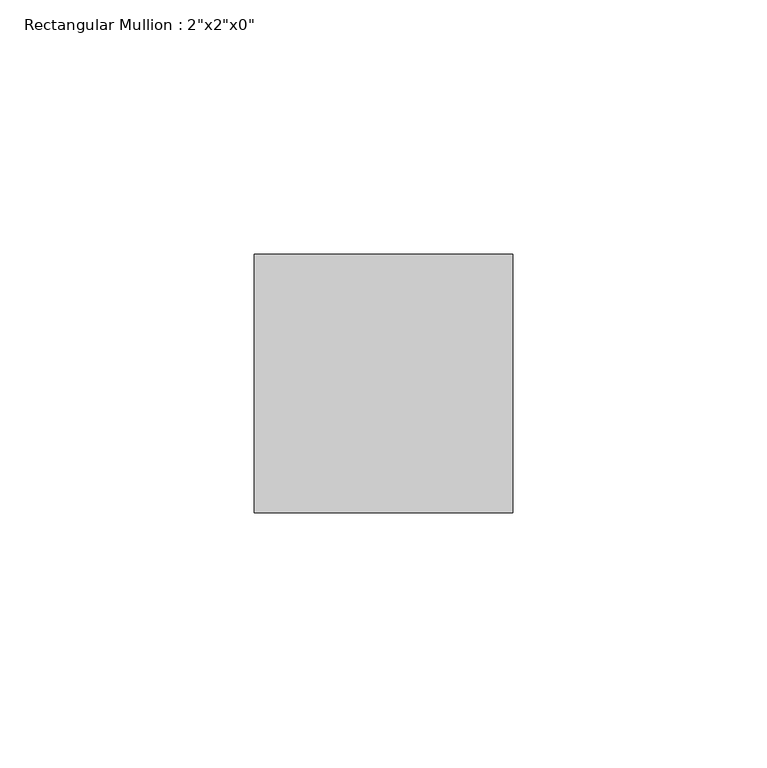
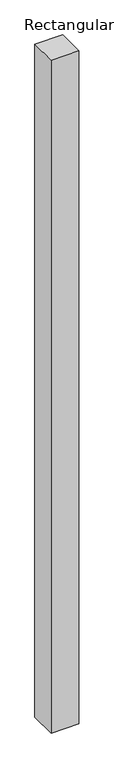
"""IFC4 building model written with IfcOpenShell, lengths in millimetres: member geometry."""

import ifcopenshell
import ifcopenshell.guid

model = None  # the IFC model being written
_history = None  # IfcOwnerHistory: only IFC2X3 demands one
_inside = {}  # id of a spatial element -> (the spatial element, [elements in it])
_under = {}  # id of a project, library or spatial element -> (it, [spatial elements below it])
_declared = {}  # id of a project -> (the project, [libraries it declares])
_typed = {}  # id of a type object -> (the type object, [elements of that type])
_made_of = {}  # id of a material, layer set ... -> (it, [elements and type objects made of it])


def new_model(schema):
    """Start an empty IFC model of exactly this schema.

    Asked for "IFC4X3", IfcOpenShell would pick the latest addendum, in which some entities
    have other attributes; the version numbers below select the first issue.
    IFC2X3 requires an IfcOwnerHistory on every rooted entity: one is made here for all.
    """
    global model, _history
    if schema == "IFC4X3":
        model = ifcopenshell.file(schema_version=(4, 3, 0, 0))
    else:
        model = ifcopenshell.file(schema=schema)
    _inside.clear()
    _under.clear()
    _declared.clear()
    _typed.clear()
    _made_of.clear()
    _history = None
    if model.schema == "IFC2X3":
        org = make("IfcOrganization", Name="unknown")
        user = make(
            "IfcPersonAndOrganization",
            ThePerson=make("IfcPerson", FamilyName="unknown"),
            TheOrganization=org,
        )
        app = make(
            "IfcApplication",
            ApplicationDeveloper=org,
            Version="unknown",
            ApplicationFullName="unknown",
            ApplicationIdentifier="unknown",
        )
        _history = make(
            "IfcOwnerHistory",
            OwningUser=user,
            OwningApplication=app,
            ChangeAction="ADDED",
            CreationDate=0,
        )
    return model


def make(cls, **values):
    """One entity of the class cls with the attributes given. An attribute that is None is left unset."""
    return model.create_entity(
        cls, **{name: value for name, value in values.items() if value is not None}
    )


def rooted(cls, **values):
    """An entity with a GlobalId (a new one), such as an element, a storey or a relation."""
    return make(cls, GlobalId=ifcopenshell.guid.new(), OwnerHistory=_history, **values)


def si_unit(unit_type, name, prefix=None):
    """IfcSIUnit, for example si_unit("LENGTHUNIT", "METRE", prefix="MILLI")."""
    return make("IfcSIUnit", UnitType=unit_type, Prefix=prefix, Name=name)


def assignment(units):
    """IfcUnitAssignment: the units of a project."""
    return None if units is None else make("IfcUnitAssignment", Units=units)


def point(xyz):
    """IfcCartesianPoint."""
    return None if xyz is None else make("IfcCartesianPoint", Coordinates=xyz)


def direction(xyz):
    """IfcDirection."""
    return None if xyz is None else make("IfcDirection", DirectionRatios=xyz)


def frame(location, z_axis=None, x_axis=None):
    """IfcAxis2Placement3D, a coordinate frame: its origin and axes. An axis left out is left unset."""
    return make(
        "IfcAxis2Placement3D",
        Location=point(location),
        Axis=direction(z_axis),
        RefDirection=direction(x_axis),
    )


def origin():
    """The frame at (0, 0, 0) with its axes left unset."""
    return frame((0.0, 0.0, 0.0))


def place(relative_to, where):
    """IfcLocalPlacement: puts the frame where relative to a parent placement (None: the world)."""
    return make(
        "IfcLocalPlacement", PlacementRelTo=relative_to, RelativePlacement=where
    )


def context(
    kind, dimensions, precision=None, world=None, true_north=None, identifier=None
):
    """IfcGeometricRepresentationContext, for example the 3D "Model" context."""
    return make(
        "IfcGeometricRepresentationContext",
        ContextIdentifier=identifier,
        ContextType=kind,
        CoordinateSpaceDimension=dimensions,
        Precision=precision,
        WorldCoordinateSystem=world,
        TrueNorth=true_north,
    )


def project(units=None, contexts=None):
    """IfcProject with its units and contexts."""
    return rooted(
        "IfcProject",
        Name="project",
        RepresentationContexts=contexts,
        UnitsInContext=assignment(units),
    )


def spatial(cls, under=None, at=None, **own):
    """A site, building, storey or space (cls), placed at a placement, below another one or the project."""
    s = rooted(cls, ObjectPlacement=at, **own)
    if under is not None:
        _under.setdefault(under.id(), (under, []))[1].append(s)
    return s


def polyline(points):
    """IfcPolyline through the points."""
    return make("IfcPolyline", Points=[point(p) for p in points])


def outline(outer, holes=None, kind="AREA"):
    """IfcArbitraryClosedProfileDef: a profile drawn as a closed curve; with holes, ...WithVoids."""
    if holes is None:
        return make("IfcArbitraryClosedProfileDef", ProfileType=kind, OuterCurve=outer)
    return make(
        "IfcArbitraryProfileDefWithVoids",
        ProfileType=kind,
        OuterCurve=outer,
        InnerCurves=holes,
    )


def extrude(swept, where, along, depth):
    """IfcExtrudedAreaSolid: the profile swept, set in the frame where, extruded along a direction by depth."""
    return make(
        "IfcExtrudedAreaSolid",
        SweptArea=swept,
        Position=where,
        ExtrudedDirection=direction(along),
        Depth=depth,
    )


def shape(context_of_items, identifier, shape_type, items):
    """IfcShapeRepresentation: the items that make up one representation, for example the "Body"."""
    return make(
        "IfcShapeRepresentation",
        ContextOfItems=context_of_items,
        RepresentationIdentifier=identifier,
        RepresentationType=shape_type,
        Items=items,
    )


def source(mapping_origin, context_of_items, identifier, shape_type, items):
    """IfcRepresentationMap: a shape defined once, which mapped items show again and again."""
    return make(
        "IfcRepresentationMap",
        MappingOrigin=mapping_origin,
        MappedRepresentation=shape(context_of_items, identifier, shape_type, items),
    )


def transform(
    local_origin,
    x_axis=None,
    y_axis=None,
    z_axis=None,
    scale=None,
    scale2=None,
    scale3=None,
    uniform=True,
):
    """IfcCartesianTransformationOperator3D, or its non-uniform kind. x_axis, y_axis, z_axis: its Axis1, 2, 3."""
    if uniform:
        return make(
            "IfcCartesianTransformationOperator3D",
            Axis1=direction(x_axis),
            Axis2=direction(y_axis),
            LocalOrigin=point(local_origin),
            Scale=scale,
            Axis3=direction(z_axis),
        )
    return make(
        "IfcCartesianTransformationOperator3DnonUniform",
        Axis1=direction(x_axis),
        Axis2=direction(y_axis),
        LocalOrigin=point(local_origin),
        Scale=scale,
        Axis3=direction(z_axis),
        Scale2=scale2,
        Scale3=scale3,
    )


def mapped(mapping_source, mapping_target):
    """IfcMappedItem: shows the shape of a source again, moved by a transform."""
    return make(
        "IfcMappedItem", MappingSource=mapping_source, MappingTarget=mapping_target
    )


def made_of(thing, what):
    """Note that an element or type object is made of a material, layer set ...; save() writes the relation."""
    if what is not None:
        _made_of.setdefault(what.id(), (what, []))[1].append(thing)
    return thing


def element(
    cls,
    number,
    at=None,
    inside=None,
    cuts=None,
    type_object=None,
    material=None,
    context=None,
    identifier="Body",
    shape_type=None,
    held_by="IfcProductDefinitionShape",
    body=None,
    shapes=None,
    **own,
):
    """One element of the class cls, such as IfcWall. Its Tag is "e" and its number.

    at: its placement. inside: the storey or other place that contains it. cuts: it is an
    opening in that element (IfcRelVoidsElement). A single representation is given by context,
    identifier, shape_type and body (its items); several are given by shapes. held_by: the class
    of the entity that holds the representations. save() writes the other relations.
    """
    e = rooted(cls, Tag="e%d" % number, ObjectPlacement=at, **own)
    if body is not None:
        shapes = [shape(context, identifier, shape_type, body)]
    if shapes is not None:
        e.Representation = make(held_by, Representations=shapes)
    if inside is not None:
        _inside.setdefault(inside.id(), (inside, []))[1].append(e)
    if cuts is not None:
        rooted(
            "IfcRelVoidsElement", RelatingBuildingElement=cuts, RelatedOpeningElement=e
        )
    if type_object is not None:
        _typed.setdefault(type_object.id(), (type_object, []))[1].append(e)
    return made_of(e, material)


def aggregate(whole, parts):
    """IfcRelAggregates: a whole, such as a stair, and the parts it consists of."""
    return rooted("IfcRelAggregates", RelatingObject=whole, RelatedObjects=parts)


def save(model, path):
    """Write the relations noted so far, then the file.

    IfcRelAggregates (storeys below a building ...), IfcRelContainedInSpatialStructure (elements
    in a storey), IfcRelDefinesByType, IfcRelAssociatesMaterial and IfcRelDeclares: one each for
    every whole, place, type object, material and project.
    """
    for whole, parts in _under.values():
        aggregate(whole, parts)
    for where, things in _inside.values():
        rooted(
            "IfcRelContainedInSpatialStructure",
            RelatedElements=things,
            RelatingStructure=where,
        )
    for kind, things in _typed.values():
        rooted("IfcRelDefinesByType", RelatedObjects=things, RelatingType=kind)
    for what, things in _made_of.values():
        rooted("IfcRelAssociatesMaterial", RelatedObjects=things, RelatingMaterial=what)
    for by, libraries in _declared.values():
        rooted("IfcRelDeclares", RelatingContext=by, RelatedDefinitions=libraries)
    model.write(path)


def member_b7285b15(model_context):
    return source(origin(), model_context, "Body", "SweptSolid", [
        extrude(outline(polyline([(25.4, 25.4), (25.4, -25.4), (-25.4, -25.4), (-25.4, 25.4), (25.4, 25.4)])), frame((0.0, 0.0, -1296.5067848), z_axis=(0.0, 0.0, 1.0), x_axis=(1.0, 0.0, 0.0)), (0.0, 0.0, 1.0), 1296.5067848),
    ])


if __name__ == "__main__":
    model = new_model("IFC4")
    model_context = context("Model", 3, world=origin())
    ifc_project = project(units=[si_unit("LENGTHUNIT", "METRE", prefix="MILLI")], contexts=[model_context])
    site = spatial("IfcSite", under=ifc_project)
    building = spatial("IfcBuilding", under=site)
    placement = place(None, origin())
    member_shape = member_b7285b15(model_context)
    element("IfcMember", 1, ObjectType="Rectangular Mullion : 2\"x2\"x0\"", at=placement, inside=building, context=model_context, shape_type="MappedRepresentation", body=[
        mapped(member_shape, transform((0.0, 0.0, 0.0), x_axis=(1.0, 0.0, 0.0), y_axis=(0.0, 1.0, 0.0), z_axis=(0.0, 0.0, 1.0))),
    ])
    save(model, "model.ifc")
